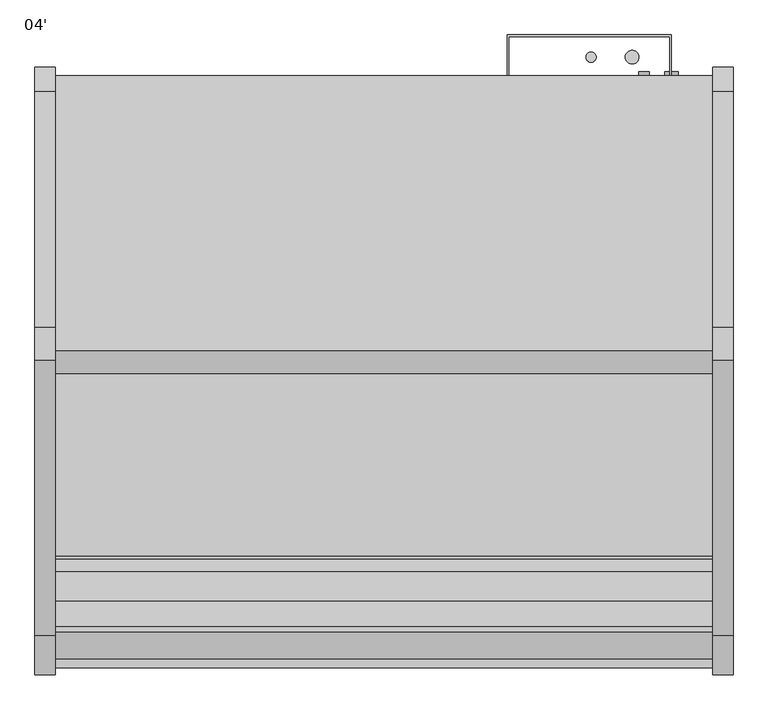
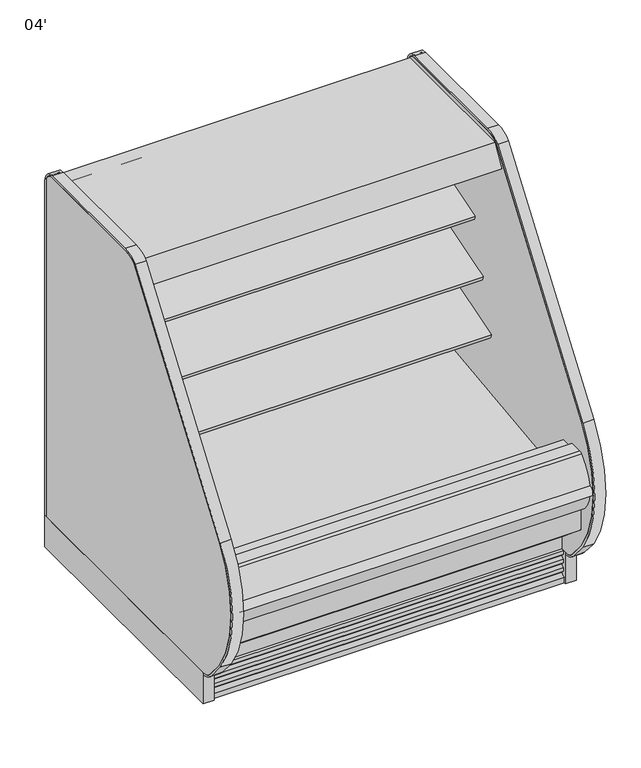
"""IFC4 building model written with IfcOpenShell, lengths in millimetres: proxy geometry, 04'."""

from ifc_helpers import new_model, si_unit, point, frame, frame_2d, origin, origin_with_axes, place, context, project, spatial, polyline, circle_curve, trimmed, segment, composite_curve, outline, extrude, source, transform, mapped, element, save
from ifc_brep_helpers import plane_surface, cylinder_surface, revolved_surface, advanced_brep


def proxy_04_2dc64d5a(model_context):
    return source(origin(), model_context, "Body", "SolidModel", [
        extrude(outline(polyline([(-401.5420871, 1362.075), (-401.5420871, 1282.7), (-680.9420871, 1282.7), (-693.0184039, 1256.802255), (-787.6253763, 1300.9182107), (-812.4129744, 1305.288933), (-896.4695758, 1334.231942), (-919.7278646, 1334.231942), (-947.3221345, 1286.4372646), (-954.1204491, 1290.3622734), (-912.7170871, 1362.075), (-401.5420871, 1362.075)])), frame((0.0, 0.0, 0.0), z_axis=(1.0, 0.0, 0.0), x_axis=(0.0, 1.0, 0.0)), (0.0, 0.0, 1.0), 1219.2),
        extrude(outline(composite_curve([segment(polyline([(-683.7381716, 1282.4140888), (-693.8017689, 1260.8326346), (-700.2773562, 1263.8522505), (-777.9694198, 1300.0806548), (-785.021504, 1303.4346622)]), True, "CONTINUOUS"), segment(trimmed(circle_curve(frame_2d((-784.6833136, 1304.145736)), 0.7874), [point((-785.021504, 1303.4346622))], [point((-785.3943875, 1304.4839264))], False, "CARTESIAN"), True, "CONTINUOUS"), segment(polyline([(-785.3943875, 1304.4839264), (-775.5328472, 1325.218649), (-683.7381716, 1282.4140888)]), True, "CONTINUOUS")], self_intersect=False)), frame((0.0, 0.0, 0.0), z_axis=(1.0, 0.0, 0.0), x_axis=(0.0, 1.0, 0.0)), (0.0, 0.0, 1.0), 1219.2),
        extrude(outline(composite_curve([segment(trimmed(circle_curve(frame_2d((-848.3597286, 1298.0740592)), 14.2875), [point((-861.7855869, 1302.960672))], [point((-834.9338703, 1293.1874464))], False, "CARTESIAN"), True, "CONTINUOUS"), segment(trimmed(circle_curve(frame_2d((-848.3597286, 1298.0740592)), 14.2875), [point((-834.9338703, 1293.1874464))], [point((-861.7855869, 1302.960672))], False, "CARTESIAN"), True, "CONTINUOUS")], self_intersect=False)), frame((0.0, 0.0, 0.0), z_axis=(1.0, 0.0, 0.0), x_axis=(0.0, 1.0, 0.0)), (0.0, 0.0, 1.0), 1219.2),
        extrude(outline(composite_curve([segment(trimmed(circle_curve(frame_2d((-883.493708, 1310.8617819)), 14.2875), [point((-896.9195664, 1315.7483947))], [point((-870.0678497, 1305.9751691))], False, "CARTESIAN"), True, "CONTINUOUS"), segment(trimmed(circle_curve(frame_2d((-883.493708, 1310.8617819)), 14.2875), [point((-870.0678497, 1305.9751691))], [point((-896.9195664, 1315.7483947))], False, "CARTESIAN"), True, "CONTINUOUS")], self_intersect=False)), frame((0.0, 0.0, 0.0), z_axis=(1.0, 0.0, 0.0), x_axis=(0.0, 1.0, 0.0)), (0.0, 0.0, 1.0), 1219.2),
        advanced_brep(
        [(1219.2, -503.5101743, 931.1949857), (1219.2, -843.5721456, 827.2276075), (1219.2, -839.4134505, 813.6251286), (1219.2, -785.6425933, 830.0645294), (1219.2, -783.2129491, 827.2095892), (1219.2, -595.4964367, 859.8203852), (1219.2, -560.8622707, 856.1425043), (1219.2, -539.5668728, 847.5478657), (1219.2, -522.2225366, 846.9415182), (1219.2, -503.5101743, 852.9872079), (0.0, -503.5101743, 931.1949857), (0.0, -503.5101743, 852.9872079), (0.0, -522.2151998, 846.918903), (0.0, -539.5668728, 847.5478657), (0.0, -560.8622707, 856.1425043), (0.0, -595.4964367, 859.8203852), (0.0, -783.2129491, 827.2095892), (0.0, -785.6425933, 830.0645294), (0.0, -839.4134505, 813.6251286), (0.0, -843.5721456, 827.2276075)],
        [
            (0, 1),
            (1, 2),
            (2, 3),
            (3, 4),
            (4, 5),
            (5, 6, circle_curve(frame((1219.2, -584.627774, 797.2574396), z_axis=(-1.0, 0.0, 0.0), x_axis=(0.0, 1.0, 0.0)), 63.5)),
            (6, 7),
            (7, 8, circle_curve(frame((1219.2, -530.0606714, 871.1018916), z_axis=(1.0, 0.0, 0.0), x_axis=(0.0, 1.0, 0.0)), 25.4)),
            (8, 9),
            (9, 0),
            (10, 11),
            (11, 12),
            (12, 13, circle_curve(frame((0.0, -530.0606714, 871.1018916), z_axis=(-1.0, 0.0, 0.0), x_axis=(0.0, 1.0, 0.0)), 25.4)),
            (13, 14),
            (14, 15, circle_curve(frame((0.0, -584.627774, 797.2574396), z_axis=(1.0, 0.0, 0.0), x_axis=(0.0, 1.0, 0.0)), 63.5)),
            (15, 16),
            (16, 17),
            (17, 18),
            (18, 19),
            (19, 10),
            (0, 10),
            (19, 1),
            (2, 18),
            (17, 3),
            (8, 12),
            (11, 9),
            (16, 4),
            (15, 5),
            (14, 6),
            (13, 7),
        ],
        [
            plane_surface(frame((1219.2, -503.5101743, 931.1949857), z_axis=(1.0, 0.0, 0.0), x_axis=(0.0, -0.9563047559631227, -0.2923717047224515))),
            plane_surface(frame((0.0, -503.5101743, 931.1949857), z_axis=(-1.0, 0.0, 0.0), x_axis=(0.0, 0.9563047559631227, 0.2923717047224515))),
            plane_surface(frame((1219.2, -503.5101743, 931.1949857), z_axis=(0.0, -0.2923717047224515, 0.9563047559631227), x_axis=(-1.0, 0.0, 0.0))),
            plane_surface(frame((1219.2, -839.4134505, 813.6251286), z_axis=(0.0, 0.2923717047224507, -0.9563047559631229), x_axis=(-1.0, 0.0, 0.0))),
            plane_surface(frame((1219.2, -522.2151998, 846.918903), z_axis=(0.0, 0.3085879853198186, -0.9511958028272914), x_axis=(-1.0, 0.0, 0.0))),
            plane_surface(frame((1219.2, -503.5101743, 852.9872079), z_axis=(0.0, 1.0, 0.0), x_axis=(-1.0, 0.0, 0.0))),
            plane_surface(frame((1219.2, -843.5721456, 827.2276075), z_axis=(0.0, -0.9563047559631227, -0.29237170472245155), x_axis=(-1.0, 0.0, 0.0))),
            plane_surface(frame((1219.2, -785.6425933, 830.0645294), z_axis=(0.0, -0.761551533788134, -0.648104359949029), x_axis=(-1.0, 0.0, 0.0))),
            plane_surface(frame((1219.2, -783.2129491, 827.2095892), z_axis=(0.0, 0.1711600427683192, -0.9852432388804032), x_axis=(-1.0, 0.0, 0.0))),
            revolved_surface(polyline([(0.0, -521.127774, 797.2574396), (1219.2, -521.127774, 797.2574396)]), (0.0, -584.627774, 797.2574396), (-1.0, 0.0, 0.0)),
            plane_surface(frame((1219.2, -560.8622707, 856.1425043), z_axis=(0.0, -0.37425989519044295, -0.9273238543529648), x_axis=(-1.0, 0.0, 0.0))),
            cylinder_surface(frame((0.0, -530.0606714, 871.1018916), z_axis=(1.0, 0.0, 0.0), x_axis=(0.0, 1.0, 0.0)), 25.4),
        ],
        [
            (0, [[1, 2, 3, 4, 5, 6, 7, 8, 9, 10]]),
            (1, [[11, 12, 13, 14, 15, 16, 17, 18, 19, 20]]),
            (2, [[-1, 21, -20, 22]]),
            (3, [[-3, 23, -18, 24]]),
            (4, [[-9, 25, -12, 26]]),
            (5, [[-10, -26, -11, -21]]),
            (6, [[-2, -22, -19, -23]]),
            (7, [[-4, -24, -17, 27]]),
            (8, [[-5, -27, -16, 28]]),
            (9, [[-6, -28, -15, 29]]),
            (10, [[-7, -29, -14, 30]]),
            (11, [[-8, -30, -13, -25]]),
        ],
    ),
        advanced_brep(
        [(0.0, -401.5420871, 1362.1205827), (0.0, -401.5420871, 130.175), (0.0, -1280.80896, 130.175), (0.0, -1430.5207837, 255.8259604), (0.0, -1430.5207837, 390.4771975), (0.0, -1379.5124455, 390.4771975), (0.0, -1379.5124455, 334.3739209), (0.0, -1221.9978428, 189.2843753), (0.0, -1163.9532566, 157.108203), (0.0, -1097.1372497, 157.108203), (0.0, -1044.0253464, 195.6902403), (0.0, -599.4158608, 211.674682), (0.0, -452.3420871, 350.7638053), (0.0, -452.3420871, 1362.1205827), (1219.2, -401.5420871, 1362.1205827), (1219.2, -452.3420871, 1362.1205827), (1219.2, -452.3420871, 350.7638053), (1219.2, -599.4158608, 211.674682), (1219.2, -1044.0253464, 195.6902403), (1219.2, -1097.1372497, 157.108203), (1219.2, -1163.9532566, 157.108203), (1219.2, -1221.9978428, 189.2843753), (1219.2, -1379.5124455, 334.3739209), (1219.2, -1379.5124455, 390.4771975), (1219.2, -1430.5207837, 390.4771975), (1219.2, -1430.5207837, 255.8259604), (1219.2, -1280.80896, 130.175), (1219.2, -401.5420871, 130.175), (1117.6, -401.5420871, 417.7254285), (1117.6, -401.5420871, 316.1254285), (1117.6, -446.7209273, 316.1254285), (1117.6, -446.7209273, 417.7254285)],
        [
            (0, 1),
            (1, 2),
            (2, 3),
            (3, 4),
            (4, 5),
            (5, 6),
            (6, 7, circle_curve(frame((0.0, -1227.3166131, 341.5567466), z_axis=(1.0, 0.0, 0.0), x_axis=(0.0, 1.0, 0.0)), 152.3652335)),
            (7, 8),
            (8, 9),
            (9, 10),
            (10, 11),
            (11, 12, circle_curve(frame((0.0, -604.9275955, 364.8057873), z_axis=(1.0, 0.0, 0.0), x_axis=(0.0, 1.0, 0.0)), 153.2302667)),
            (12, 13),
            (13, 0),
            (14, 15),
            (15, 16),
            (16, 17, circle_curve(frame((1219.2, -604.9275955, 364.8057873), z_axis=(-1.0, 0.0, 0.0), x_axis=(0.0, 1.0, 0.0)), 153.2302667)),
            (17, 18),
            (18, 19),
            (19, 20),
            (20, 21),
            (21, 22, circle_curve(frame((1219.2, -1227.3166131, 341.5567466), z_axis=(-1.0, 0.0, 0.0), x_axis=(0.0, 1.0, 0.0)), 152.3652335)),
            (22, 23),
            (23, 24),
            (24, 25),
            (25, 26),
            (26, 27),
            (27, 14),
            (13, 15),
            (14, 0),
            (12, 16),
            (5, 23),
            (22, 6),
            (4, 24),
            (3, 25),
            (2, 26),
            (1, 27),
            (28, 29, circle_curve(frame((1117.6, -401.5420871, 366.9254285), z_axis=(0.0, -1.0, 0.0), x_axis=(0.0, 0.0, 1.0)), 50.8)),
            (29, 28, circle_curve(frame((1117.6, -401.5420871, 366.9254285), z_axis=(0.0, -1.0, 0.0), x_axis=(0.0, 0.0, 1.0)), 50.8)),
            (11, 17),
            (10, 18),
            (9, 19),
            (8, 20),
            (7, 21),
            (30, 31, circle_curve(frame((1117.6, -446.7209273, 366.9254285), z_axis=(0.0, 1.0, 0.0), x_axis=(0.0, 0.0, 1.0)), 50.8)),
            (31, 30, circle_curve(frame((1117.6, -446.7209273, 366.9254285), z_axis=(0.0, 1.0, 0.0), x_axis=(0.0, 0.0, 1.0)), 50.8)),
            (30, 29),
            (28, 31),
        ],
        [
            plane_surface(frame((0.0, -452.3420871, 1362.1205827), z_axis=(-1.0, 0.0, 0.0), x_axis=(0.0, 1.0, 0.0))),
            plane_surface(frame((1219.2, -452.3420871, 1362.1205827), z_axis=(1.0, 0.0, 0.0), x_axis=(0.0, -1.0, 0.0))),
            plane_surface(frame((1219.2, -401.5420871, 1362.1205827), z_axis=(0.0, 0.0, 1.0), x_axis=(-1.0, 0.0, 0.0))),
            plane_surface(frame((1219.2, -452.3420871, 1362.1205827), z_axis=(0.0, -1.0, 0.0), x_axis=(-1.0, 0.0, 0.0))),
            plane_surface(frame((1219.2, -1379.5124455, 334.3739209), z_axis=(0.0, 1.0, 0.0), x_axis=(-1.0, 0.0, 0.0))),
            plane_surface(frame((1219.2, -1379.5124455, 390.4771975), z_axis=(0.0, 0.0, 1.0), x_axis=(-1.0, 0.0, 0.0))),
            plane_surface(frame((1219.2, -1430.5207837, 390.4771975), z_axis=(0.0, -1.0, 0.0), x_axis=(-1.0, 0.0, 0.0))),
            plane_surface(frame((1219.2, -1430.5207837, 255.8259604), z_axis=(0.0, -0.642871145330384, -0.7659743406287187), x_axis=(-1.0, 0.0, 0.0))),
            plane_surface(frame((1219.2, -1280.80896, 130.175), z_axis=(0.0, 0.0, -1.0), x_axis=(-1.0, 0.0, 0.0))),
            plane_surface(frame((1219.2, -401.5420871, 130.175), z_axis=(0.0, 1.0, 0.0), x_axis=(-1.0, 0.0, 0.0))),
            revolved_surface(polyline([(0.0, -451.69732880000004, 364.8057873), (1219.2, -451.69732880000004, 364.8057873)]), (0.0, -604.9275955, 364.8057873), (-1.0, 0.0, 0.0)),
            plane_surface(frame((1219.2, -599.4158608, 211.674682), z_axis=(0.0, -0.035928431956195744, 0.9993543654666092), x_axis=(-1.0, 0.0, 0.0))),
            plane_surface(frame((1219.2, -1044.0253464, 195.6902403), z_axis=(0.0, -0.5877252382161418, 0.8090605937528904), x_axis=(-1.0, 0.0, 0.0))),
            plane_surface(frame((1219.2, -1097.1372497, 157.108203), z_axis=(0.0, 0.0, 1.0), x_axis=(-1.0, 0.0, 0.0))),
            plane_surface(frame((1219.2, -1163.9532566, 157.108203), z_axis=(0.0, 0.4848272875913493, 0.87460991373687), x_axis=(-1.0, 0.0, 0.0))),
            revolved_surface(polyline([(0.0, -1074.9513796, 341.5567466), (1219.2, -1074.9513796, 341.5567466)]), (0.0, -1227.3166131, 341.5567466), (-1.0, 0.0, 0.0)),
            plane_surface(frame((1117.6, -446.7209273, 417.7254285), z_axis=(0.0, 1.0, 0.0), x_axis=(-1.0, 0.0, 0.0))),
            revolved_surface(polyline([(1117.6, -401.5420871, 417.7254285), (1117.6, -446.7209273, 417.7254285)]), (1117.6, -446.7209273, 366.9254285), (0.0, 1.0, 0.0)),
        ],
        [
            (0, [[1, 2, 3, 4, 5, 6, 7, 8, 9, 10, 11, 12, 13, 14]]),
            (1, [[15, 16, 17, 18, 19, 20, 21, 22, 23, 24, 25, 26, 27, 28]]),
            (2, [[-14, 29, -15, 30]]),
            (3, [[-13, 31, -16, -29]]),
            (4, [[-6, 32, -23, 33]]),
            (5, [[-5, 34, -24, -32]]),
            (6, [[-4, 35, -25, -34]]),
            (7, [[-3, 36, -26, -35]]),
            (8, [[-2, 37, -27, -36]]),
            (9, [[-1, -30, -28, -37], [38, 39]]),
            (10, [[-12, 40, -17, -31]]),
            (11, [[-11, 41, -18, -40]]),
            (12, [[-10, 42, -19, -41]]),
            (13, [[-9, 43, -20, -42]]),
            (14, [[-8, 44, -21, -43]]),
            (15, [[-7, -33, -22, -44]]),
            (16, [[45, 46]]),
            (17, [[-45, 47, -38, 48]]),
            (17, [[-46, -48, -39, -47]]),
        ],
    ),
        extrude(outline(composite_curve([segment(polyline([(-503.5101744, 1108.1412699), (-503.5101744, 1029.9334921), (-520.8851964, 1024.2966684)]), True, "CONTINUOUS"), segment(trimmed(circle_curve(frame_2d((-528.7233313, 1048.4570418)), 25.4), [point((-520.8851964, 1024.2966684))], [point((-538.2295326, 1024.9030158))], False, "CARTESIAN"), True, "CONTINUOUS"), segment(polyline([(-538.2295326, 1024.9030158), (-559.5249305, 1033.4976544)]), True, "CONTINUOUS"), segment(trimmed(circle_curve(frame_2d((-583.2904338, 974.6125897)), 63.5), [point((-559.5249305, 1033.4976544))], [point((-594.1590965, 1037.1755354))], True, "CARTESIAN"), True, "CONTINUOUS"), segment(polyline([(-594.1590965, 1037.1755354), (-731.9271964, 1019.8355015), (-734.3568405, 1022.6904418), (-790.8331688, 1005.4238954), (-794.991864, 1019.0263743), (-503.5101744, 1108.1412699)]), True, "CONTINUOUS")], self_intersect=False)), frame((0.0, 0.0, 0.0), z_axis=(1.0, 0.0, 0.0), x_axis=(0.0, 1.0, 0.0)), (0.0, 0.0, 1.0), 1219.2),
        extrude(outline(composite_curve([segment(polyline([(-503.5101744, 684.5796647), (-522.2225366, 678.5089796)]), True, "CONTINUOUS"), segment(trimmed(circle_curve(frame_2d((-530.0606714, 702.669353)), 25.4), [point((-522.2225366, 678.5089796))], [point((-539.5668728, 679.1153271))], False, "CARTESIAN"), True, "CONTINUOUS"), segment(polyline([(-539.5668728, 679.1153271), (-560.8622707, 687.7099657)]), True, "CONTINUOUS"), segment(trimmed(circle_curve(frame_2d((-584.627774, 628.8249009)), 63.5), [point((-560.8622707, 687.7099657))], [point((-595.4964367, 691.3878466))], True, "CARTESIAN"), True, "CONTINUOUS"), segment(polyline([(-595.4964367, 691.3878466), (-783.2129491, 658.7770506), (-785.6425933, 661.6319908), (-887.993732, 630.3401074), (-892.1524272, 643.9425862), (-503.5101744, 762.762447), (-503.5101744, 684.5796647)]), True, "CONTINUOUS")], self_intersect=False)), frame((0.0, 0.0, 0.0), z_axis=(1.0, 0.0, 0.0), x_axis=(0.0, 1.0, 0.0)), (0.0, 0.0, 1.0), 1219.2),
        extrude(outline(composite_curve([segment(trimmed(circle_curve(frame_2d((-1481.8568934, 431.5331592)), 18.450875), [point((-1485.1962049, 413.3869809))], [point((-1484.859656, 449.7380543))], False, "CARTESIAN"), True, "CONTINUOUS"), segment(polyline([(-1484.859656, 449.7380543), (-1486.2875159, 444.2788694)]), True, "CONTINUOUS"), segment(trimmed(circle_curve(frame_2d((-1359.7644053, 433.283303)), 126.9999999), [point((-1486.2875159, 444.2788694))], [point((-1485.1962049, 413.3869809))], True, "CARTESIAN"), True, "CONTINUOUS")], self_intersect=False)), frame((0.0, 0.0, 0.0), z_axis=(1.0, 0.0, 0.0), x_axis=(0.0, 1.0, 0.0)), (0.0, 0.0, 1.0), 1219.2),
        extrude(outline(composite_curve([segment(polyline([(-1430.5207837, 390.4771975), (-1430.5207837, 349.2540688), (-1454.9909131, 349.2540688)]), True, "CONTINUOUS"), segment(trimmed(circle_curve(frame_2d((-1359.7644053, 433.283303)), 126.9999999), [point((-1454.9909131, 349.2540688))], [point((-1486.2875159, 444.2788694))], False, "CARTESIAN"), True, "CONTINUOUS"), segment(trimmed(circle_curve(frame_2d((-1312.9030759, 405.0685499)), 177.7628003), [point((-1486.2875159, 444.2788694))], [point((-1433.6857347, 535.4953973))], False, "CARTESIAN"), True, "CONTINUOUS"), segment(trimmed(circle_curve(frame_2d((-1422.8289382, 523.7717132)), 15.9785731), [point((-1433.6857347, 535.4953973))], [point((-1422.9245877, 539.75))], False, "CARTESIAN"), True, "CONTINUOUS"), segment(polyline([(-1422.9245877, 539.75), (-1377.3315877, 539.75), (-1377.3315877, 520.4426474), (-1379.5124455, 520.4426474), (-1379.5124455, 390.4771975), (-1430.5207837, 390.4771975)]), True, "CONTINUOUS")], self_intersect=False)), frame((0.0, 0.0, 0.0), z_axis=(1.0, 0.0, 0.0), x_axis=(0.0, 1.0, 0.0)), (0.0, 0.0, 1.0), 1219.2),
        extrude(outline(composite_curve([segment(polyline([(-1305.8908654, 151.2490419), (-1305.8908654, 0.0), (-1329.0357106, 0.0), (-1329.0357106, 19.9045671)]), True, "CONTINUOUS"), segment(trimmed(circle_curve(frame_2d((-1328.499887, 33.5999438)), 13.7058546), [point((-1329.0357106, 19.9045671))], [point((-1315.4179076, 29.51188))], True, "CARTESIAN"), True, "CONTINUOUS"), segment(polyline([(-1315.4179076, 29.51188), (-1311.9288106, 40.67714), (-1322.5660058, 38.5193172), (-1324.5599058, 38.5193172), (-1324.5599058, 51.2193172)]), True, "CONTINUOUS"), segment(trimmed(circle_curve(frame_2d((-1328.9777736, 64.7214645)), 14.2065314), [point((-1324.5599058, 51.2193172))], [point((-1315.4179076, 60.4840631))], True, "CARTESIAN"), True, "CONTINUOUS"), segment(polyline([(-1315.4179076, 60.4840631), (-1311.9288106, 71.6493231), (-1322.5660058, 69.4915004), (-1324.5599058, 69.4915004), (-1324.5599058, 82.1915004)]), True, "CONTINUOUS"), segment(trimmed(circle_curve(frame_2d((-1329.0501489, 95.765064)), 14.2969897), [point((-1324.5599058, 82.1915004))], [point((-1315.4179076, 91.4562462))], True, "CARTESIAN"), True, "CONTINUOUS"), segment(polyline([(-1315.4179076, 91.4562462), (-1311.9288106, 102.4950543), (-1322.5660058, 100.4638704), (-1324.5599058, 100.4638704), (-1324.5599058, 113.1638704)]), True, "CONTINUOUS"), segment(trimmed(circle_curve(frame_2d((-1323.9621412, 124.1285303)), 10.9809422), [point((-1324.5599058, 113.1638704))], [point((-1316.1764071, 116.3849243))], True, "CARTESIAN"), True, "CONTINUOUS"), segment(polyline([(-1316.1764071, 116.3849243), (-1316.1764071, 159.8796362), (-1305.8908654, 151.2490419)]), True, "CONTINUOUS")], self_intersect=False)), frame((0.0, 0.0, 0.0), z_axis=(1.0, 0.0, 0.0), x_axis=(0.0, 1.0, 0.0)), (0.0, 0.0, 1.0), 1219.2),
        extrude(outline(polyline([(688.975, -695.7909621), (688.975, -1117.5324221), (180.975, -1117.5324221), (180.975, -695.7909621), (688.975, -695.7909621)])), frame((0.0, 0.0, 68.5310382), z_axis=(0.0, 0.0, 1.0), x_axis=(1.0, 0.0, 0.0)), (0.0, 0.0, 1.0), 6.35),
        extrude(outline(polyline([(1219.2, -452.3420871), (1219.2, -503.5101744), (0.0, -503.5101744), (0.0, -452.3420871), (1219.2, -452.3420871)])), frame((0.0, 0.0, 415.8429537), z_axis=(0.0, 0.0, 1.0), x_axis=(1.0, 0.0, 0.0)), (0.0, 0.0, 1.0), 867.0899215),
        advanced_brep(
        [(0.0, -503.5101744, 418.8942432), (0.0, -452.3420871, 418.8942432), (0.0, -452.3420871, 350.7638053), (0.0, -599.4158608, 211.674682), (0.0, -1043.4743285, 195.6902403), (0.0, -1096.5862318, 157.108203), (0.0, -1163.4022387, 157.108203), (0.0, -1221.4788318, 189.3021178), (0.0, -1379.5124455, 334.3739209), (0.0, -1379.5124455, 520.4426474), (0.0, -1322.6270145, 520.4426474), (0.0, -1322.6270145, 375.3611369), (0.0, -1298.2271496, 375.3611369), (0.0, -1292.7855784, 377.3027762), (0.0, -599.3992665, 460.375), (0.0, -599.0350944, 455.1670959), (0.0, -516.4106498, 460.9447599), (0.0, -503.5101744, 473.8452354), (1219.2, -503.5101744, 418.8942432), (1219.2, -503.5101744, 473.8452354), (1219.2, -516.4106498, 460.9447599), (1219.2, -599.0350944, 455.1670959), (1219.2, -599.3992665, 460.375), (1219.2, -1292.7855784, 377.3027762), (1219.2, -1298.2271496, 375.3611369), (1219.2, -1322.6270145, 375.3611369), (1219.2, -1322.6270145, 520.4426474), (1219.2, -1379.5124455, 520.4426474), (1219.2, -1379.5124455, 334.3739209), (1219.2, -1221.4788318, 189.3021178), (1219.2, -1163.4022387, 157.108203), (1219.2, -1096.5862318, 157.108203), (1219.2, -1043.4743285, 195.6902403), (1219.2, -599.4158608, 211.674682), (1219.2, -452.3420871, 350.7638053), (1219.2, -452.3420871, 418.8942432)],
        [
            (0, 1),
            (1, 2),
            (2, 3, circle_curve(frame((0.0, -604.9275955, 364.8057873), z_axis=(-1.0, 0.0, 0.0), x_axis=(0.0, 1.0, 0.0)), 153.2302667)),
            (3, 4),
            (4, 5),
            (5, 6),
            (6, 7),
            (7, 8, circle_curve(frame((0.0, -1227.2834533, 341.5915343), z_axis=(-1.0, 0.0, 0.0), x_axis=(0.0, 1.0, 0.0)), 152.4)),
            (8, 9),
            (9, 10),
            (10, 11),
            (11, 12),
            (12, 13),
            (13, 14),
            (14, 15),
            (15, 16),
            (16, 17, circle_curve(frame((0.0, -516.4106498, 473.8452354), z_axis=(1.0, 0.0, 0.0), x_axis=(0.0, 1.0, 0.0)), 12.9004754)),
            (17, 0),
            (18, 19),
            (19, 20, circle_curve(frame((1219.2, -516.4106498, 473.8452354), z_axis=(-1.0, 0.0, 0.0), x_axis=(0.0, 1.0, 0.0)), 12.9004754)),
            (20, 21),
            (21, 22),
            (22, 23),
            (23, 24),
            (24, 25),
            (25, 26),
            (26, 27),
            (27, 28),
            (28, 29, circle_curve(frame((1219.2, -1227.2834533, 341.5915343), z_axis=(1.0, 0.0, 0.0), x_axis=(0.0, 1.0, 0.0)), 152.4)),
            (29, 30),
            (30, 31),
            (31, 32),
            (32, 33),
            (33, 34, circle_curve(frame((1219.2, -604.9275955, 364.8057873), z_axis=(1.0, 0.0, 0.0), x_axis=(0.0, 1.0, 0.0)), 153.2302667)),
            (34, 35),
            (35, 18),
            (34, 2),
            (1, 35),
            (0, 18),
            (17, 19),
            (16, 20),
            (15, 21),
            (14, 22),
            (29, 7),
            (6, 30),
            (5, 31),
            (4, 32),
            (3, 33),
            (13, 23),
            (12, 24),
            (11, 25),
            (10, 26),
            (9, 27),
            (8, 28),
        ],
        [
            plane_surface(frame((0.0, -503.5101744, 473.8452354), z_axis=(-1.0, 0.0, 0.0), x_axis=(0.0, 0.0, -1.0))),
            plane_surface(frame((1219.2, -503.5101744, 473.8452354), z_axis=(1.0, 0.0, 0.0), x_axis=(0.0, 0.0, 1.0))),
            plane_surface(frame((1219.2, -452.3420871, 350.7638053), z_axis=(0.0, 1.0, 0.0), x_axis=(-1.0, 0.0, 0.0))),
            plane_surface(frame((1219.2, -452.3420871, 418.8942432), z_axis=(0.0, 0.0, 1.0), x_axis=(-1.0, 0.0, 0.0))),
            plane_surface(frame((1219.2, -503.5101744, 418.8942432), z_axis=(0.0, 1.0, 0.0), x_axis=(-1.0, 0.0, 0.0))),
            revolved_surface(polyline([(0.0, -503.5101744, 473.8452354), (1219.2, -503.5101744, 473.8452354)]), (0.0, -516.4106498, 473.8452354), (-1.0, 0.0, 0.0)),
            plane_surface(frame((1219.2, -516.4106498, 460.9447599), z_axis=(0.0, -0.06975647369737534, 0.9975640502630934), x_axis=(-1.0, 0.0, 0.0))),
            plane_surface(frame((1219.2, -599.0350944, 455.1670959), z_axis=(0.0, 0.9975640502630916, 0.06975647369740078), x_axis=(-1.0, 0.0, 0.0))),
            plane_surface(frame((1219.2, -1221.4788318, 189.3021178), z_axis=(0.0, -0.48482728759135, -0.8746099137368696), x_axis=(-1.0, 0.0, 0.0))),
            plane_surface(frame((1219.2, -1163.4022387, 157.108203), z_axis=(0.0, 0.0, -1.0), x_axis=(-1.0, 0.0, 0.0))),
            plane_surface(frame((1219.2, -1096.5862318, 157.108203), z_axis=(0.0, 0.5877252382161428, -0.8090605937528897), x_axis=(-1.0, 0.0, 0.0))),
            plane_surface(frame((1219.2, -1043.4743285, 195.6902403), z_axis=(0.0, 0.0359729567363374, -0.9993527637344312), x_axis=(-1.0, 0.0, 0.0))),
            cylinder_surface(frame((0.0, -604.9275955, 364.8057873), z_axis=(1.0, 0.0, 0.0), x_axis=(0.0, 1.0, 0.0)), 153.2302667),
            plane_surface(frame((1219.2, -599.3992665, 460.375), z_axis=(0.0, -0.11895587145051076, 0.9928995420723336), x_axis=(-1.0, 0.0, 0.0))),
            plane_surface(frame((1219.2, -1292.7855784, 377.3027762), z_axis=(0.0, -0.3360633076512325, 0.9418393988629448), x_axis=(-1.0, 0.0, 0.0))),
            plane_surface(frame((1219.2, -1298.2271496, 375.3611369), z_axis=(0.0, 0.0, 1.0), x_axis=(-1.0, 0.0, 0.0))),
            plane_surface(frame((1219.2, -1322.6270145, 375.3611369), z_axis=(0.0, 1.0, 0.0), x_axis=(-1.0, 0.0, 0.0))),
            plane_surface(frame((1219.2, -1322.6270145, 520.4426474), z_axis=(0.0, 0.0, 1.0), x_axis=(-1.0, 0.0, 0.0))),
            plane_surface(frame((1219.2, -1379.5124455, 520.4426474), z_axis=(0.0, -1.0, 0.0), x_axis=(-1.0, 0.0, 0.0))),
            cylinder_surface(frame((0.0, -1227.2834533, 341.5915343), z_axis=(1.0, 0.0, 0.0), x_axis=(0.0, 1.0, 0.0)), 152.4),
        ],
        [
            (0, [[1, 2, 3, 4, 5, 6, 7, 8, 9, 10, 11, 12, 13, 14, 15, 16, 17, 18]]),
            (1, [[19, 20, 21, 22, 23, 24, 25, 26, 27, 28, 29, 30, 31, 32, 33, 34, 35, 36]]),
            (2, [[-35, 37, -2, 38]]),
            (3, [[-36, -38, -1, 39]]),
            (4, [[-19, -39, -18, 40]]),
            (5, [[-20, -40, -17, 41]]),
            (6, [[-21, -41, -16, 42]]),
            (7, [[-22, -42, -15, 43]]),
            (8, [[-30, 44, -7, 45]]),
            (9, [[-31, -45, -6, 46]]),
            (10, [[-32, -46, -5, 47]]),
            (11, [[-33, -47, -4, 48]]),
            (12, [[-34, -48, -3, -37]]),
            (13, [[-23, -43, -14, 49]]),
            (14, [[-24, -49, -13, 50]]),
            (15, [[-25, -50, -12, 51]]),
            (16, [[-26, -51, -11, 52]]),
            (17, [[-27, -52, -10, 53]]),
            (18, [[-28, -53, -9, 54]]),
            (19, [[-29, -54, -8, -44]]),
        ],
    ),
        extrude(outline(polyline([(-401.5420871, 130.175), (-401.5420871, 0.0), (-446.7540871, 0.0), (-446.7540871, 74.8810382), (-1160.5475206, 74.8810382), (-1160.5475206, 0.0), (-1207.4658654, 0.0), (-1207.4658654, 130.175), (-401.5420871, 130.175)])), frame((0.0, 0.0, 0.0), z_axis=(1.0, 0.0, 0.0), x_axis=(0.0, 1.0, 0.0)), (0.0, 0.0, 1.0), 1219.2),
        extrude(outline(composite_curve([segment(trimmed(circle_curve(frame_2d((974.3400636, -715.8339273)), 9.525), [point((964.8150636, -715.8339273))], [point((983.8650636, -715.8339273))], False, "CARTESIAN"), True, "CONTINUOUS"), segment(trimmed(circle_curve(frame_2d((974.3400636, -715.8339273)), 9.525), [point((983.8650636, -715.8339273))], [point((964.8150636, -715.8339273))], False, "CARTESIAN"), True, "CONTINUOUS")], self_intersect=False)), frame((0.0, 0.0, 68.5310382), z_axis=(0.0, 0.0, 1.0), x_axis=(1.0, 0.0, 0.0)), (0.0, 0.0, 1.0), 52.7807458),
        extrude(outline(composite_curve([segment(trimmed(circle_curve(frame_2d((1017.8110784, -715.8339273)), 12.7), [point((1005.1110784, -715.8339273))], [point((1030.5110784, -715.8339273))], False, "CARTESIAN"), True, "CONTINUOUS"), segment(trimmed(circle_curve(frame_2d((1017.8110784, -715.8339273)), 12.7), [point((1030.5110784, -715.8339273))], [point((1005.1110784, -715.8339273))], False, "CARTESIAN"), True, "CONTINUOUS")], self_intersect=False)), frame((0.0, 0.0, 68.5310382), z_axis=(0.0, 0.0, 1.0), x_axis=(1.0, 0.0, 0.0)), (0.0, 0.0, 1.0), 52.7807458),
        extrude(outline(polyline([(0.0, -385.6670871), (0.0, -1335.5812273), (-38.1, -1335.5812273), (-38.1, -385.6670871), (0.0, -385.6670871)])), origin_with_axes(), (0.0, 0.0, 1.0), 114.3),
        extrude(outline(polyline([(1257.3, -385.6670871), (1257.3, -1335.5812273), (1219.2, -1335.5812273), (1219.2, -385.6670871), (1257.3, -385.6670871)])), origin_with_axes(), (0.0, 0.0, 1.0), 114.3),
        extrude(outline(polyline([(1139.825, -401.5420871), (1139.825, -328.5170871), (841.375, -328.5170871), (841.375, -401.5420871), (838.2, -401.5420871), (838.2, -325.3420871), (1143.0, -325.3420871), (1143.0, -401.5420871), (1139.825, -401.5420871)])), frame((0.0, 0.0, 509.3917508), z_axis=(0.0, 0.0, 1.0), x_axis=(1.0, 0.0, 0.0)), (0.0, 0.0, 1.0), 744.968275),
        extrude(outline(composite_curve([segment(trimmed(circle_curve(frame_2d((993.775, -366.6170871)), 9.525), [point((984.25, -366.6170871))], [point((1003.3, -366.6170871))], False, "CARTESIAN"), True, "CONTINUOUS"), segment(trimmed(circle_curve(frame_2d((993.775, -366.6170871)), 9.525), [point((1003.3, -366.6170871))], [point((984.25, -366.6170871))], False, "CARTESIAN"), True, "CONTINUOUS")], self_intersect=False)), frame((0.0, 0.0, 938.4284214), z_axis=(0.0, 0.0, 1.0), x_axis=(1.0, 0.0, 0.0)), (0.0, 0.0, 1.0), 359.2448082),
        extrude(outline(composite_curve([segment(trimmed(circle_curve(frame_2d((1069.975, -366.6170871)), 12.7), [point((1057.275, -366.6170871))], [point((1082.675, -366.6170871))], False, "CARTESIAN"), True, "CONTINUOUS"), segment(trimmed(circle_curve(frame_2d((1069.975, -366.6170871)), 12.7), [point((1082.675, -366.6170871))], [point((1057.275, -366.6170871))], False, "CARTESIAN"), True, "CONTINUOUS")], self_intersect=False)), frame((0.0, 0.0, 938.4284214), z_axis=(0.0, 0.0, 1.0), x_axis=(1.0, 0.0, 0.0)), (0.0, 0.0, 1.0), 359.2448082),
        extrude(outline(composite_curve([segment(trimmed(circle_curve(frame_2d((368.3, 1143.0)), 12.7), [point((368.3, 1155.7))], [point((368.3, 1130.3))], False, "CARTESIAN"), True, "CONTINUOUS"), segment(trimmed(circle_curve(frame_2d((368.3, 1143.0)), 12.7), [point((368.3, 1130.3))], [point((368.3, 1155.7))], False, "CARTESIAN"), True, "CONTINUOUS")], self_intersect=False)), frame((0.0, -446.7209273, 0.0), z_axis=(0.0, 1.0, 0.0), x_axis=(0.0, 0.0, 1.0)), (0.0, 0.0, 1.0), 52.8518438),
        extrude(outline(composite_curve([segment(trimmed(circle_curve(frame_2d((368.3, 1092.2)), 9.525), [point((368.3, 1101.725))], [point((368.3, 1082.675))], False, "CARTESIAN"), True, "CONTINUOUS"), segment(trimmed(circle_curve(frame_2d((368.3, 1092.2)), 9.525), [point((368.3, 1082.675))], [point((368.3, 1101.725))], False, "CARTESIAN"), True, "CONTINUOUS")], self_intersect=False)), frame((0.0, -446.7209273, 0.0), z_axis=(0.0, 1.0, 0.0), x_axis=(0.0, 0.0, 1.0)), (0.0, 0.0, 1.0), 52.8518438),
        extrude(outline(composite_curve([segment(polyline([(-430.1170871, 1378.8090936), (-870.1102751, 1378.8090936)]), True, "CONTINUOUS"), segment(trimmed(circle_curve(frame_2d((-870.1102751, 1287.3388389)), 91.4702547), [point((-870.1102751, 1378.8090936))], [point((-922.7837816, 1362.1205827))], True, "CARTESIAN"), True, "CONTINUOUS"), segment(polyline([(-922.7837816, 1362.1205827), (-1431.1766668, 653.7197399)]), True, "CONTINUOUS"), segment(trimmed(circle_curve(frame_2d((-1112.605612, 425.0931659)), 392.1194045), [point((-1431.1766668, 653.7197399))], [point((-1431.1766668, 196.4665918))], True, "CARTESIAN"), True, "CONTINUOUS"), segment(polyline([(-1431.1766668, 196.4665918), (-1379.3606672, 134.7146881)]), True, "CONTINUOUS"), segment(trimmed(circle_curve(frame_2d((-1335.5812273, 171.45)), 57.15), [point((-1379.3606672, 134.7146881))], [point((-1335.5812273, 114.3))], True, "CARTESIAN"), True, "CONTINUOUS"), segment(polyline([(-1335.5812273, 114.3), (-1335.5812273, 107.95)]), True, "CONTINUOUS"), segment(trimmed(circle_curve(frame_2d((-1335.5812273, 171.45)), 63.5), [point((-1335.5812273, 107.95))], [point((-1384.2250494, 130.6329868))], False, "CARTESIAN"), True, "CONTINUOUS"), segment(polyline([(-1384.2250494, 130.6329868), (-1439.9327665, 197.0228587)]), True, "CONTINUOUS"), segment(trimmed(circle_curve(frame_2d((-1122.8082954, 424.6112734)), 390.3388485), [point((-1439.9327665, 197.0228587))], [point((-1439.9327665, 652.1996881))], False, "CARTESIAN"), True, "CONTINUOUS"), segment(polyline([(-1439.9327665, 652.1996881), (-929.0808544, 1364.0269689)]), True, "CONTINUOUS"), segment(trimmed(circle_curve(frame_2d((-867.599156, 1287.9427853)), 97.8202547), [point((-929.0808544, 1364.0269689))], [point((-867.599156, 1385.76304))], False, "CARTESIAN"), True, "CONTINUOUS"), segment(polyline([(-867.599156, 1385.76304), (-430.1170871, 1385.76304)]), True, "CONTINUOUS"), segment(trimmed(circle_curve(frame_2d((-430.1170871, 1341.31304)), 44.45), [point((-430.1170871, 1385.76304))], [point((-385.6670871, 1341.31304))], False, "CARTESIAN"), True, "CONTINUOUS"), segment(polyline([(-385.6670871, 1341.31304), (-385.6670871, 114.3), (-392.0170871, 114.3), (-392.0170871, 1340.7090936)]), True, "CONTINUOUS"), segment(trimmed(circle_curve(frame_2d((-430.1170871, 1340.7090936)), 38.1), [point((-392.0170871, 1340.7090936))], [point((-430.1170871, 1378.8090936))], True, "CARTESIAN"), True, "CONTINUOUS")], self_intersect=False)), frame((-38.1, 0.0, 0.0), z_axis=(1.0, 0.0, 0.0), x_axis=(0.0, 1.0, 0.0)), (0.0, 0.0, 1.0), 38.1),
        extrude(outline(composite_curve([segment(trimmed(circle_curve(frame_2d((-1335.5812273, 171.45)), 57.15), [point((-1335.5812273, 114.3))], [point((-1379.3606672, 134.7146881))], False, "CARTESIAN"), True, "CONTINUOUS"), segment(polyline([(-1379.3606672, 134.7146881), (-1431.1766668, 196.4665918)]), True, "CONTINUOUS"), segment(trimmed(circle_curve(frame_2d((-1112.605612, 425.0931659)), 392.1194045), [point((-1431.1766668, 196.4665918))], [point((-1431.1766668, 653.7197399))], False, "CARTESIAN"), True, "CONTINUOUS"), segment(polyline([(-1431.1766668, 653.7197399), (-922.7837816, 1362.1205827)]), True, "CONTINUOUS"), segment(trimmed(circle_curve(frame_2d((-870.1102751, 1287.3388389)), 91.4702547), [point((-922.7837816, 1362.1205827))], [point((-870.1102751, 1378.8090936))], False, "CARTESIAN"), True, "CONTINUOUS"), segment(polyline([(-870.1102751, 1378.8090936), (-430.1170871, 1378.8090936)]), True, "CONTINUOUS"), segment(trimmed(circle_curve(frame_2d((-430.1170871, 1340.7090936)), 38.1), [point((-430.1170871, 1378.8090936))], [point((-392.0170871, 1340.7090936))], False, "CARTESIAN"), True, "CONTINUOUS"), segment(polyline([(-392.0170871, 1340.7090936), (-392.0170871, 114.3), (-1335.5812273, 114.3)]), True, "CONTINUOUS")], self_intersect=False)), frame((-38.1, 0.0, 0.0), z_axis=(1.0, 0.0, 0.0), x_axis=(0.0, 1.0, 0.0)), (0.0, 0.0, 1.0), 38.1),
        extrude(outline(composite_curve([segment(polyline([(-392.0170871, 114.3), (-392.0170871, 1340.7090936)]), True, "CONTINUOUS"), segment(trimmed(circle_curve(frame_2d((-430.1170871, 1340.7090936)), 38.1), [point((-392.0170871, 1340.7090936))], [point((-430.1170871, 1378.8090936))], True, "CARTESIAN"), True, "CONTINUOUS"), segment(polyline([(-430.1170871, 1378.8090936), (-870.1102751, 1378.8090936)]), True, "CONTINUOUS"), segment(trimmed(circle_curve(frame_2d((-870.1102751, 1287.3388389)), 91.4702547), [point((-870.1102751, 1378.8090936))], [point((-922.7837816, 1362.1205827))], True, "CARTESIAN"), True, "CONTINUOUS"), segment(polyline([(-922.7837816, 1362.1205827), (-1431.1766668, 653.7197399)]), True, "CONTINUOUS"), segment(trimmed(circle_curve(frame_2d((-1112.605612, 425.0931659)), 392.1194045), [point((-1431.1766668, 653.7197399))], [point((-1431.1766668, 196.4665918))], True, "CARTESIAN"), True, "CONTINUOUS"), segment(polyline([(-1431.1766668, 196.4665918), (-1379.3606672, 134.7146881)]), True, "CONTINUOUS"), segment(trimmed(circle_curve(frame_2d((-1335.5812273, 171.45)), 57.15), [point((-1379.3606672, 134.7146881))], [point((-1335.5812273, 114.3))], True, "CARTESIAN"), True, "CONTINUOUS"), segment(polyline([(-1335.5812273, 114.3), (-1335.5812273, 107.95)]), True, "CONTINUOUS"), segment(trimmed(circle_curve(frame_2d((-1335.5812273, 171.45)), 63.5), [point((-1335.5812273, 107.95))], [point((-1384.2250494, 130.6329868))], False, "CARTESIAN"), True, "CONTINUOUS"), segment(polyline([(-1384.2250494, 130.6329868), (-1439.9327665, 197.0228587)]), True, "CONTINUOUS"), segment(trimmed(circle_curve(frame_2d((-1122.8082954, 424.6112734)), 390.3388485), [point((-1439.9327665, 197.0228587))], [point((-1439.9327665, 652.1996881))], False, "CARTESIAN"), True, "CONTINUOUS"), segment(polyline([(-1439.9327665, 652.1996881), (-929.0808544, 1364.0269689)]), True, "CONTINUOUS"), segment(trimmed(circle_curve(frame_2d((-867.599156, 1287.9427853)), 97.8202547), [point((-929.0808544, 1364.0269689))], [point((-867.599156, 1385.76304))], False, "CARTESIAN"), True, "CONTINUOUS"), segment(polyline([(-867.599156, 1385.76304), (-430.1170871, 1385.76304)]), True, "CONTINUOUS"), segment(trimmed(circle_curve(frame_2d((-430.1170871, 1341.31304)), 44.45), [point((-430.1170871, 1385.76304))], [point((-385.6670871, 1341.31304))], False, "CARTESIAN"), True, "CONTINUOUS"), segment(polyline([(-385.6670871, 1341.31304), (-385.6670871, 114.3), (-392.0170871, 114.3)]), True, "CONTINUOUS")], self_intersect=False)), frame((1219.2, 0.0, 0.0), z_axis=(1.0, 0.0, 0.0), x_axis=(0.0, 1.0, 0.0)), (0.0, 0.0, 1.0), 38.1),
        extrude(outline(composite_curve([segment(trimmed(circle_curve(frame_2d((-1335.5812273, 171.45)), 57.15), [point((-1335.5812273, 114.3))], [point((-1379.3606672, 134.7146881))], False, "CARTESIAN"), True, "CONTINUOUS"), segment(polyline([(-1379.3606672, 134.7146881), (-1431.1766668, 196.4665918)]), True, "CONTINUOUS"), segment(trimmed(circle_curve(frame_2d((-1112.605612, 425.0931659)), 392.1194045), [point((-1431.1766668, 196.4665918))], [point((-1431.1766668, 653.7197399))], False, "CARTESIAN"), True, "CONTINUOUS"), segment(polyline([(-1431.1766668, 653.7197399), (-922.7837816, 1362.1205827)]), True, "CONTINUOUS"), segment(trimmed(circle_curve(frame_2d((-870.1102751, 1287.3388389)), 91.4702547), [point((-922.7837816, 1362.1205827))], [point((-870.1102751, 1378.8090936))], False, "CARTESIAN"), True, "CONTINUOUS"), segment(polyline([(-870.1102751, 1378.8090936), (-430.1170871, 1378.8090936)]), True, "CONTINUOUS"), segment(trimmed(circle_curve(frame_2d((-430.1170871, 1340.7090936)), 38.1), [point((-430.1170871, 1378.8090936))], [point((-392.0170871, 1340.7090936))], False, "CARTESIAN"), True, "CONTINUOUS"), segment(polyline([(-392.0170871, 1340.7090936), (-392.0170871, 114.3), (-1335.5812273, 114.3)]), True, "CONTINUOUS")], self_intersect=False)), frame((1219.2, 0.0, 0.0), z_axis=(1.0, 0.0, 0.0), x_axis=(0.0, 1.0, 0.0)), (0.0, 0.0, 1.0), 38.1),
    ])


if __name__ == "__main__":
    model = new_model("IFC4")
    model_context = context("Model", 3, world=origin())
    ifc_project = project(units=[si_unit("LENGTHUNIT", "METRE", prefix="MILLI")], contexts=[model_context])
    site = spatial("IfcSite", under=ifc_project)
    building = spatial("IfcBuilding", under=site)
    placement = place(None, origin())
    proxy_04_shape = proxy_04_2dc64d5a(model_context)
    element("IfcBuildingElementProxy", 1, Name="04'", ObjectType="04'", at=placement, inside=building, context=model_context, shape_type="MappedRepresentation", body=[
        mapped(proxy_04_shape, transform((0.0, 0.0, 0.0), x_axis=(1.0, 0.0, 0.0), y_axis=(0.0, 1.0, 0.0), z_axis=(0.0, 0.0, 1.0))),
    ])
    save(model, "model.ifc")
